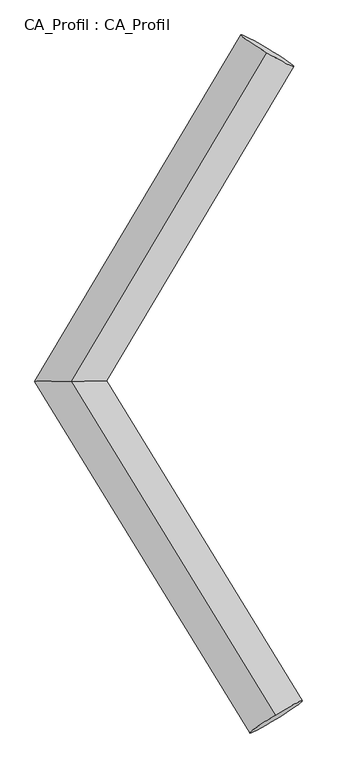
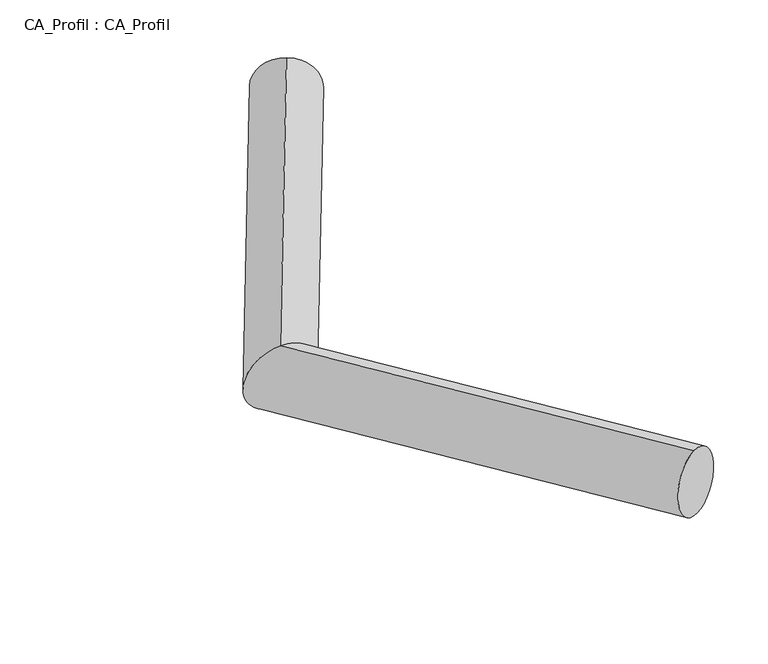
"""IFC4 building model written with IfcOpenShell, lengths in millimetres: plate geometry, CA_Profil : CA_Profil."""

from ifc_helpers import new_model, si_unit, frame, origin, place, context, project, spatial, circle_curve, ellipse_curve, source, transform, mapped, element, save
from ifc_brep_helpers import plane_surface, cylinder_surface, advanced_brep


def ca_profil_ca_profil_8b18b961(model_context):
    return source(origin(), model_context, "Body", "AdvancedBrep", [
        advanced_brep(
        [(6067.3524569, 8796.1157144, -148.5837794), (6054.8637993, 8766.3475954, 350.3730249), (4459.4608578, 6096.3396455, -349.8991281), (4464.2964822, 6095.6603545, 151.2267552), (6137.8646585, 3354.2069325, -151.7416475), (6125.0225437, 3382.4090745, 347.2971478)],
        [
            (0, 1, circle_curve(frame((6061.1081281, 8781.2316549, 100.8946228), z_axis=(0.5106442204264238, 0.8574116854300736, 0.06393498129389265), x_axis=(-0.024977315318009535, -0.059536238020283426, 0.9979136085262577)), 250.0)),
            (1, 0, circle_curve(frame((6061.1081281, 8781.2316549, 100.8946228), z_axis=(0.5106442204264238, 0.8574116854300736, 0.06393498129389265), x_axis=(-0.024977315318009535, -0.059536238020283426, 0.9979136085262577)), 250.0)),
            (0, 2),
            (2, 3, ellipse_curve(frame((4461.87867, 6096.0, -99.3361865), z_axis=(-0.006097094510961358, 0.9999804123526972, 0.0014143371076349828), x_axis=(0.9926708101340149, 0.005881803229651072, 0.12070653295760769)), 292.61263, 250.0)),
            (3, 1),
            (3, 2, ellipse_curve(frame((4461.87867, 6096.0, -99.3361865), z_axis=(-0.006097094510961358, 0.9999804123526972, 0.0014143371076349828), x_axis=(0.9926708101340149, 0.005881803229651072, 0.12070653295760769)), 292.61263, 250.0)),
            (4, 5, circle_curve(frame((6131.4436011, 3368.3080035, 97.7777501), z_axis=(0.5210625925078206, -0.8512985848911848, 0.06151824161413582), x_axis=(-0.02568422948536333, 0.056404284026327654, 0.9980775907208922)), 250.0)),
            (5, 4, circle_curve(frame((6131.4436011, 3368.3080035, 97.7777501), z_axis=(0.5210625925078206, -0.8512985848911848, 0.06151824161413582), x_axis=(-0.02568422948536333, 0.056404284026327654, 0.9980775907208922)), 250.0)),
            (2, 4),
            (5, 3),
        ],
        [
            plane_surface(frame((6061.1081281, 8799.8218991, -148.4132247), z_axis=(0.5106442204264237, 0.8574116854300738, 0.06393498129389237), x_axis=(0.859792114493434, -0.5092304457210624, -0.037972002918441605))),
            cylinder_surface(frame((6061.1081281, 8781.2316549, 100.8946228), z_axis=(0.5106442204264239, 0.8574116854300738, 0.06393498129389266), x_axis=(-0.024977315318009535, -0.059536238020283426, 0.9979136085262577)), 250.0),
            plane_surface(frame((6131.4436011, 3350.2889905, -151.5720346), z_axis=(0.5210625925078215, -0.8512985848911844, 0.061518241614136195), x_axis=(0.8535184676906693, 0.5197073811909617, -0.03755613460680434))),
            cylinder_surface(frame((4461.87867, 6096.0, -99.3361865), z_axis=(-0.5210625925078207, 0.851298584891185, -0.061518241614135834), x_axis=(-0.02568422948536333, 0.056404284026327654, 0.9980775907208922)), 250.0),
        ],
        [
            (0, [[1, 2]]),
            (1, [[-1, 3, 4, 5]]),
            (1, [[-2, -5, 6, -3]]),
            (2, [[7, 8]]),
            (3, [[-4, 9, -8, 10]]),
            (3, [[-6, -10, -7, -9]]),
        ],
    ),
    ])


if __name__ == "__main__":
    model = new_model("IFC4")
    model_context = context("Model", 3, world=origin())
    ifc_project = project(units=[si_unit("LENGTHUNIT", "METRE", prefix="MILLI")], contexts=[model_context])
    site = spatial("IfcSite", under=ifc_project)
    building = spatial("IfcBuilding", under=site)
    placement = place(None, origin())
    ca_profil_ca_profil_shape = ca_profil_ca_profil_8b18b961(model_context)
    element("IfcPlate", 1, ObjectType="CA_Profil : CA_Profil", at=placement, inside=building, context=model_context, shape_type="MappedRepresentation", body=[
        mapped(ca_profil_ca_profil_shape, transform((0.0, 0.0, 0.0), x_axis=(1.0, 0.0, 0.0), y_axis=(0.0, 1.0, 0.0), z_axis=(0.0, 0.0, 1.0))),
    ])
    save(model, "model.ifc")
